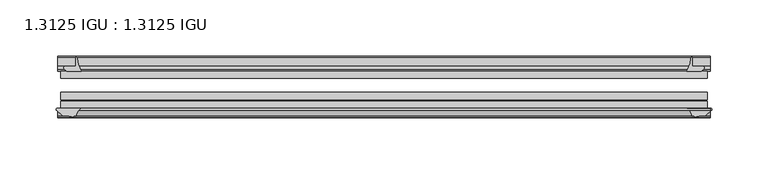
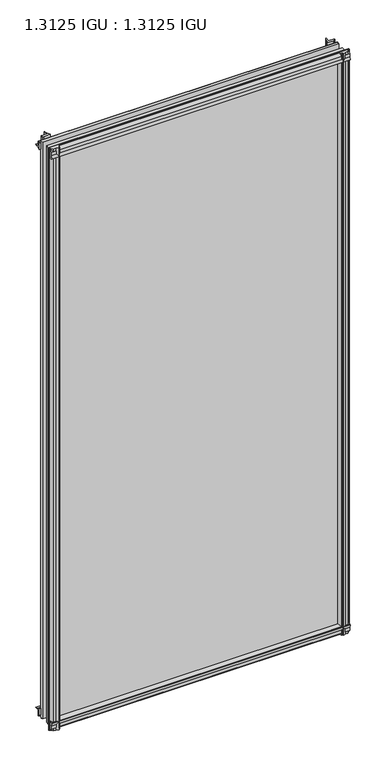
"""IFC4 building model written with IfcOpenShell, lengths in millimetres: plate geometry, 1.3125 IGU : 1.3125 IGU."""

from ifc_helpers import new_model, si_unit, point, frame, frame_2d, origin, place, context, project, spatial, polyline, circle_curve, trimmed, segment, composite_curve, outline, extrude, source, transform, mapped, element, save


def plate_1_3125_igu_1_3125_igu_2f3048c3(model_context):
    return source(origin(), model_context, "Body", "SweptSolid", [
        extrude(outline(composite_curve([segment(polyline([(-22.094825, 0.0), (-22.094825, -9.916835)]), True, "CONTINUOUS"), segment(trimmed(circle_curve(frame_2d((-23.669625, -9.916835)), 1.5748), [point((-22.094825, -9.916835))], [point((-24.8706146, -10.9354709))], False, "CARTESIAN"), True, "CONTINUOUS"), segment(polyline([(-24.8706146, -10.9354709), (-26.590625, -8.9075484), (-26.590625, 4.0446407)]), True, "CONTINUOUS"), segment(trimmed(circle_curve(frame_2d((-7.1839113, 38.4138813)), 39.4698015), [point((-26.590625, 4.0446407))], [point((-19.4504626, 0.8985917))], True, "CARTESIAN"), True, "CONTINUOUS"), segment(polyline([(-19.4504626, 0.8985917), (-13.3986538, 0.0), (-22.094825, 0.0)]), True, "CONTINUOUS")], self_intersect=False)), frame((-290.1184763, 0.0, 0.0), z_axis=(1.0, 0.0, 0.0), x_axis=(0.0, 1.0, 0.0)), (0.0, 0.0, 1.0), 580.2369525),
        extrude(outline(composite_curve([segment(trimmed(circle_curve(frame_2d((-67.8737919, 9.6311377)), 10.5748618), [point((-66.062225, -0.7874))], [point((-59.712225, 2.9068141))], True, "CARTESIAN"), True, "CONTINUOUS"), segment(polyline([(-59.712225, 2.9068141), (-59.712225, -18.0442511)]), True, "CONTINUOUS"), segment(trimmed(circle_curve(frame_2d((-60.728225, -18.0442511)), 1.016), [point((-59.712225, -18.0442511))], [point((-61.4950672, -18.7107412))], False, "CARTESIAN"), True, "CONTINUOUS"), segment(polyline([(-61.4950672, -18.7107412), (-66.062225, -13.4559149), (-66.062225, -7.4520336), (-67.637025, -1.5748), (-66.062225, -1.5748), (-66.062225, -0.7874)]), True, "CONTINUOUS")], self_intersect=False)), frame((-290.1184763, 0.0, 0.0), z_axis=(1.0, 0.0, 0.0), x_axis=(0.0, 1.0, 0.0)), (0.0, 0.0, 1.0), 580.2369525),
        extrude(outline(composite_curve([segment(polyline([(-66.062225, 1169.1098774), (-61.4950672, 1174.3647037)]), True, "CONTINUOUS"), segment(trimmed(circle_curve(frame_2d((-60.728225, 1173.6982136)), 1.016), [point((-61.4950672, 1174.3647037))], [point((-59.712225, 1173.6982136))], False, "CARTESIAN"), True, "CONTINUOUS"), segment(polyline([(-59.712225, 1173.6982136), (-59.712225, 1153.1730921)]), True, "CONTINUOUS"), segment(trimmed(circle_curve(frame_2d((-66.4211348, 1147.5432283)), 8.7581298), [point((-59.712225, 1153.1730921))], [point((-66.062225, 1156.2940009))], True, "CARTESIAN"), True, "CONTINUOUS"), segment(polyline([(-66.062225, 1156.2940009), (-66.062225, 1157.2287625), (-67.637025, 1157.2287625), (-66.062225, 1163.1059961), (-66.062225, 1169.1098774)]), True, "CONTINUOUS")], self_intersect=False)), frame((-290.1184763, 0.0, 0.0), z_axis=(1.0, 0.0, 0.0), x_axis=(0.0, 1.0, 0.0)), (0.0, 0.0, 1.0), 580.2369525),
        extrude(outline(composite_curve([segment(polyline([(-26.590625, 1151.6093218), (-26.590625, 1164.5615109), (-24.8706146, 1166.5894334)]), True, "CONTINUOUS"), segment(trimmed(circle_curve(frame_2d((-23.669625, 1165.5707975)), 1.5748), [point((-24.8706146, 1166.5894334))], [point((-22.094825, 1165.5707975))], False, "CARTESIAN"), True, "CONTINUOUS"), segment(polyline([(-22.094825, 1165.5707975), (-22.094825, 1155.7), (-14.5883882, 1155.7), (-18.3240316, 1154.9133459)]), True, "CONTINUOUS"), segment(trimmed(circle_curve(frame_2d((-16.4585419, 1142.284903)), 12.7654855), [point((-18.3240316, 1154.9133459))], [point((-20.5939581, 1154.3619869))], True, "CARTESIAN"), True, "CONTINUOUS"), segment(trimmed(circle_curve(frame_2d((-7.1839113, 1117.2400812)), 39.4698015), [point((-20.5939581, 1154.3619869))], [point((-26.590625, 1151.6093218))], True, "CARTESIAN"), True, "CONTINUOUS")], self_intersect=False)), frame((-290.1184763, 0.0, 0.0), z_axis=(1.0, 0.0, 0.0), x_axis=(0.0, 1.0, 0.0)), (0.0, 0.0, 1.0), 580.2369525),
        extrude(outline(composite_curve([segment(polyline([(281.9575484, -26.590625), (269.0053593, -26.590625)]), True, "CONTINUOUS"), segment(trimmed(circle_curve(frame_2d((234.6361187, -7.1839113)), 39.4698015), [point((269.0053593, -26.590625))], [point((272.1514083, -19.4504626))], True, "CARTESIAN"), True, "CONTINUOUS"), segment(polyline([(272.1514083, -19.4504626), (272.7972834, -15.1006424)]), True, "CONTINUOUS"), segment(trimmed(circle_curve(frame_2d((273.5767687, -15.2120036)), 0.7874), [point((272.7972834, -15.1006424))], [point((273.84375, -14.4712474))], False, "CARTESIAN"), True, "CONTINUOUS"), segment(polyline([(273.84375, -14.4712474), (273.84375, -22.094825), (282.966835, -22.094825)]), True, "CONTINUOUS"), segment(trimmed(circle_curve(frame_2d((282.966835, -23.669625)), 1.5748), [point((282.966835, -22.094825))], [point((283.9854709, -24.8706146))], False, "CARTESIAN"), True, "CONTINUOUS"), segment(polyline([(283.9854709, -24.8706146), (281.9575484, -26.590625)]), True, "CONTINUOUS")], self_intersect=False)), frame((0.0, 0.0, -18.2728511), z_axis=(0.0, 0.0, 1.0), x_axis=(1.0, 0.0, 0.0)), (0.0, 0.0, 1.0), 1193.2852548),
        extrude(outline(composite_curve([segment(polyline([(269.6989748, -59.712225), (290.2594015, -59.712225)]), True, "CONTINUOUS"), segment(trimmed(circle_curve(frame_2d((290.2594015, -60.728225)), 1.016), [point((290.2594015, -59.712225))], [point((290.9258916, -61.4950672))], False, "CARTESIAN"), True, "CONTINUOUS"), segment(polyline([(290.9258916, -61.4950672), (285.6710653, -66.062225), (281.6958336, -66.062225), (275.8186, -67.637025), (275.8186, -66.062225), (274.7282443, -66.062225)]), True, "CONTINUOUS"), segment(trimmed(circle_curve(frame_2d((274.7282443, -66.849625)), 0.7874), [point((274.7282443, -66.062225))], [point((273.9505385, -66.7264485))], True, "CARTESIAN"), True, "CONTINUOUS"), segment(trimmed(circle_curve(frame_2d((260.8852219, -69.8501675)), 13.4335445), [point((273.9505385, -66.7264485))], [point((269.6989748, -59.712225))], True, "CARTESIAN"), True, "CONTINUOUS")], self_intersect=False)), frame((0.0, 0.0, -18.2728511), z_axis=(0.0, 0.0, 1.0), x_axis=(1.0, 0.0, 0.0)), (0.0, 0.0, 1.0), 1193.2852548),
        extrude(outline(composite_curve([segment(polyline([(-272.7972834, -15.1006424), (-272.3228683, -18.2957187)]), True, "CONTINUOUS"), segment(trimmed(circle_curve(frame_2d((-259.7605951, -16.4304327)), 12.7), [point((-272.3228683, -18.2957187))], [point((-271.7741235, -20.5493081))], True, "CARTESIAN"), True, "CONTINUOUS"), segment(trimmed(circle_curve(frame_2d((-234.6361187, -7.1839113)), 39.4698015), [point((-271.7741235, -20.5493081))], [point((-269.0053593, -26.590625))], True, "CARTESIAN"), True, "CONTINUOUS"), segment(polyline([(-269.0053593, -26.590625), (-281.9575484, -26.590625), (-283.9854709, -24.8706146)]), True, "CONTINUOUS"), segment(trimmed(circle_curve(frame_2d((-282.966835, -23.669625)), 1.5748), [point((-283.9854709, -24.8706146))], [point((-282.966835, -22.094825))], False, "CARTESIAN"), True, "CONTINUOUS"), segment(polyline([(-282.966835, -22.094825), (-273.812, -22.094825), (-273.812, -14.4605617)]), True, "CONTINUOUS"), segment(trimmed(circle_curve(frame_2d((-273.5767687, -15.2120036)), 0.7874), [point((-273.812, -14.4605617))], [point((-272.7972834, -15.1006424))], False, "CARTESIAN"), True, "CONTINUOUS")], self_intersect=False)), frame((0.0, 0.0, -18.2728511), z_axis=(0.0, 0.0, 1.0), x_axis=(1.0, 0.0, 0.0)), (0.0, 0.0, 1.0), 1193.6347648),
        extrude(outline(composite_curve([segment(trimmed(circle_curve(frame_2d((-260.8852219, -69.8501675)), 13.4335445), [point((-269.6989748, -59.712225))], [point((-273.9505385, -66.7264485))], True, "CARTESIAN"), True, "CONTINUOUS"), segment(trimmed(circle_curve(frame_2d((-274.7282443, -66.849625)), 0.7874), [point((-273.9505385, -66.7264485))], [point((-274.7282443, -66.062225))], True, "CARTESIAN"), True, "CONTINUOUS"), segment(polyline([(-274.7282443, -66.062225), (-275.8186, -66.062225), (-275.8186, -67.637025), (-281.6958336, -66.062225), (-285.6710653, -66.062225), (-290.9258916, -61.4950672)]), True, "CONTINUOUS"), segment(trimmed(circle_curve(frame_2d((-290.2594015, -60.728225)), 1.016), [point((-290.9258916, -61.4950672))], [point((-290.2594015, -59.712225))], False, "CARTESIAN"), True, "CONTINUOUS"), segment(polyline([(-290.2594015, -59.712225), (-269.6989748, -59.712225)]), True, "CONTINUOUS")], self_intersect=False)), frame((0.0, 0.0, -18.2728511), z_axis=(0.0, 0.0, 1.0), x_axis=(1.0, 0.0, 0.0)), (0.0, 0.0, 1.0), 1193.6347648),
        extrude(outline(polyline([(-287.3375, -26.590625), (287.3375, -26.590625), (287.3375, -32.889825), (-287.3375, -32.889825), (-287.3375, -26.590625)])), frame((0.0, 0.0, -12.8524), z_axis=(0.0, 0.0, 1.0), x_axis=(1.0, 0.0, 0.0)), (0.0, 0.0, 1.0), 1182.7938625),
        extrude(outline(polyline([(287.3375, -45.589825), (287.3375, -51.889025), (-287.3375, -51.889025), (-287.3375, -45.589825), (287.3375, -45.589825)])), frame((0.0, 0.0, -12.8524), z_axis=(0.0, 0.0, 1.0), x_axis=(1.0, 0.0, 0.0)), (0.0, 0.0, 1.0), 1182.7938625),
        extrude(outline(polyline([(287.3375, -53.413025), (287.3375, -59.712225), (-287.3375, -59.712225), (-287.3375, -53.413025), (287.3375, -53.413025)])), frame((0.0, 0.0, -12.8524), z_axis=(0.0, 0.0, 1.0), x_axis=(1.0, 0.0, 0.0)), (0.0, 0.0, 1.0), 1182.7938625),
    ])


if __name__ == "__main__":
    model = new_model("IFC4")
    model_context = context("Model", 3, world=origin())
    ifc_project = project(units=[si_unit("LENGTHUNIT", "METRE", prefix="MILLI")], contexts=[model_context])
    site = spatial("IfcSite", under=ifc_project)
    building = spatial("IfcBuilding", under=site)
    placement = place(None, origin())
    plate_1_3125_igu_1_3125_igu_shape = plate_1_3125_igu_1_3125_igu_2f3048c3(model_context)
    element("IfcPlate", 1, ObjectType="1.3125 IGU : 1.3125 IGU", at=placement, inside=building, context=model_context, shape_type="MappedRepresentation", body=[
        mapped(plate_1_3125_igu_1_3125_igu_shape, transform((0.0, 0.0, 0.0), x_axis=(1.0, 0.0, 0.0), y_axis=(0.0, 1.0, 0.0), z_axis=(0.0, 0.0, 1.0))),
    ])
    save(model, "model.ifc")
